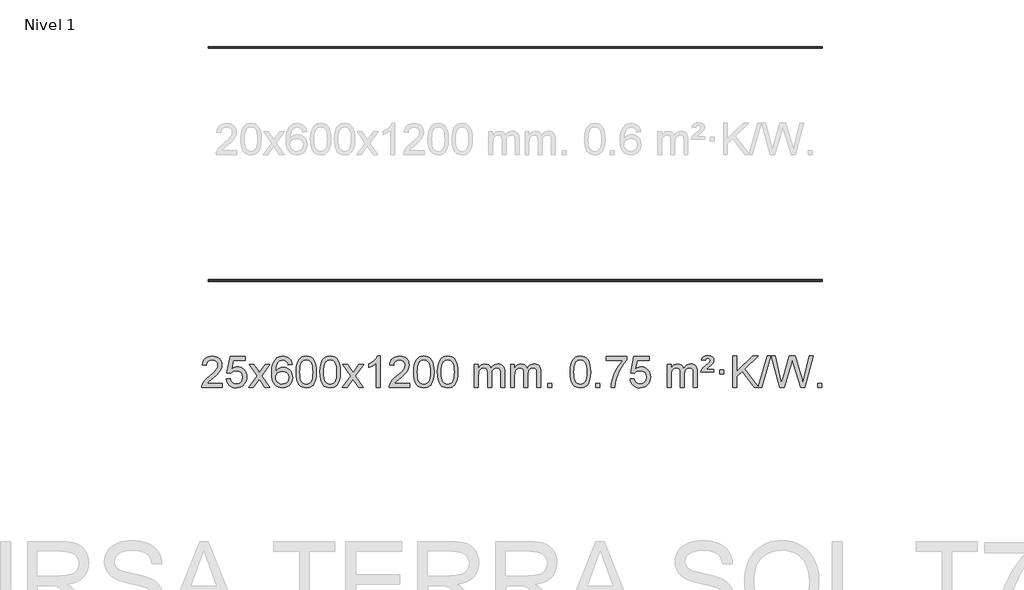
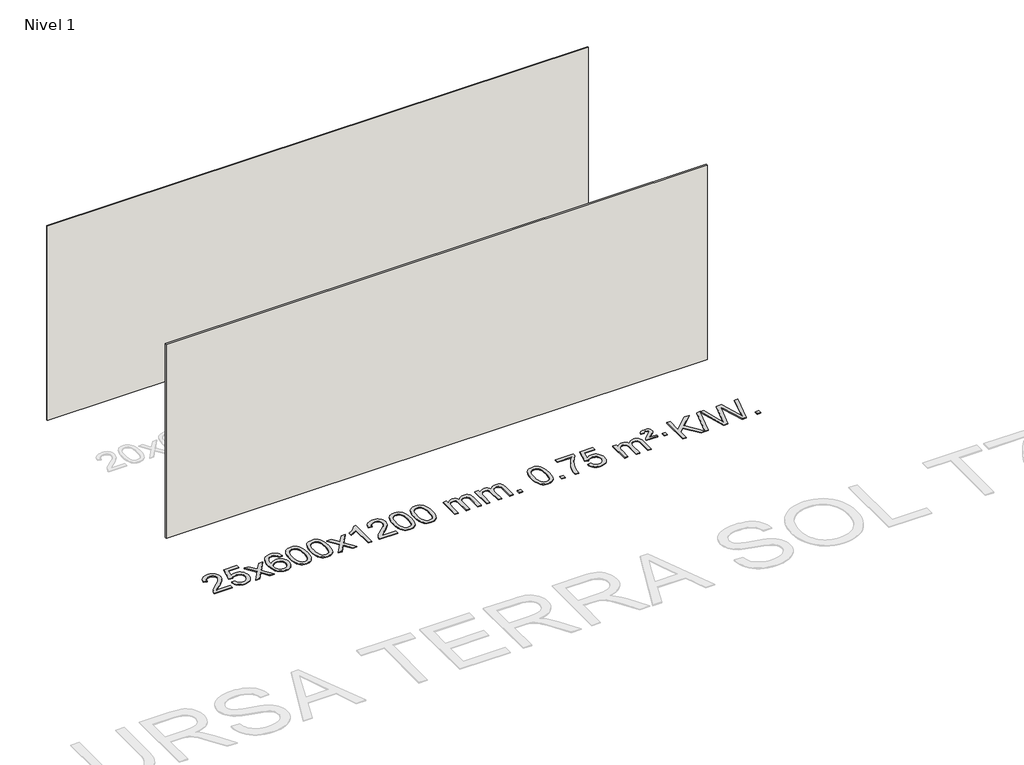
# One storey, part 1 of 3: 2 walls, 1 proxy.
"""IFC4 building model written with IfcOpenShell, lengths in millimetres."""

from ifc_helpers import new_model, si_unit, origin, origin_with_axes, place, context, project, spatial, polyline, outline, extrude, element, save

model = new_model("IFC4")

# Units and contexts
model_context = context("Model", 3, world=origin())
ifc_project = project(units=[si_unit("LENGTHUNIT", "METRE", prefix="MILLI")], contexts=[model_context])

# Site, building, storey
site = spatial("IfcSite", under=ifc_project)
building = spatial("IfcBuilding", under=site)
storey = spatial("IfcBuildingStorey", under=building, Name="Nivel 1", Elevation=0.0)

# Proxy
placement = place(None, origin())
element("IfcBuildingElementProxy", 1, Name="Texto de modelo 1", ObjectType="Texto de modelo 1", at=placement, inside=storey, context=model_context, shape_type="SweptSolid", body=[
    extrude(outline(polyline([(-52.5741406, -341.3512979), (-52.5741406, -391.579453), (-316.2719548, -391.579453), (-315.1683088, -373.8965918), (-310.8763522, -356.9494945), (-298.4909917, -329.8856424), (-280.366672, -303.6311307), (-254.1489485, -276.1503456), (-217.4833763, -245.4076736), (-163.2820957, -197.2641831), (-130.7613273, -161.7267824), (-114.5009431, -132.884834), (-109.0808151, -104.8277005), (-114.1943748, -79.6768347), (-129.535054, -58.7688747), (-153.1162899, -44.6789943), (-182.9515197, -39.9823675), (-214.282803, -44.5686297), (-238.6243283, -58.3274163), (-254.3328895, -80.1796068), (-259.7652803, -109.0460807), (-309.9934354, -102.7675613), (-305.6738876, -76.838012), (-297.8165413, -54.1826125), (-286.4213965, -34.8013627), (-271.4884532, -18.6942627), (-253.3610679, -6.0329907), (-232.3825971, 3.010775), (-208.5530409, 8.4370345), (-181.8723992, 10.2457876), (-154.9526342, 8.2346994), (-130.9943193, 2.2014346), (-109.9974544, -7.8540066), (-91.9620396, -21.9316242), (-77.476686, -38.9890861), (-67.1300049, -57.9840598), (-60.9219962, -78.9165453), (-58.85266, -101.7865427), (-61.0844774, -125.8092369), (-67.7799298, -149.4149983), (-79.6625182, -173.4254299), (-97.455744, -198.6621347), (-125.8194459, -228.7916701), (-169.4134623, -267.4805933), (-227.195461, -315.795762), (-249.8569919, -341.3512979), (-52.5741406, -341.3512979)])), origin_with_axes(), (0.0, 0.0, 1.0), 10.0),
    extrude(outline(polyline([(-2.3459855, -284.8446235), (47.8821695, -278.5661041), (57.1037449, -308.7201649), (73.1924508, -330.3148381), (96.0747109, -343.3010725), (125.6769488, -347.6298173), (144.8068125, -346.1245668), (161.6803334, -341.6088153), (176.2975113, -334.0825628), (188.6583463, -323.5458094), (198.486927, -310.519721), (205.5073417, -295.5254641), (211.1236735, -259.6324441), (205.862961, -225.8363514), (199.2870703, -211.9181493), (190.0808234, -199.9865099), (178.2135634, -190.4154467), (163.6546334, -183.5789729), (126.4617637, -178.1097939), (102.0957129, -180.2925604), (82.3649752, -186.8408599), (66.6073631, -196.8717757), (54.1606889, -209.5023908), (3.9325338, -203.2238715), (47.8821695, 3.9672682), (242.5162704, 3.9672682), (242.5162704, -46.2608869), (88.4963418, -46.2608869), (67.0120333, -156.919791), (84.7378141, -144.2155994), (102.8927905, -135.1411769), (121.4769627, -129.6965234), (140.4903304, -127.8816388), (164.9514174, -130.1318504), (187.4198103, -136.882485), (207.895509, -148.1335427), (226.3785136, -163.8850234), (241.6793389, -183.1743027), (252.6084998, -205.038756), (259.1659964, -229.4783832), (261.3518286, -256.4931844), (259.3836599, -282.5147042), (253.4791539, -306.7213394), (243.6383105, -329.1130902), (229.8611298, -349.6899565), (208.9899579, -370.7634634), (184.6361699, -385.8159684), (156.7997656, -394.8474714), (125.480745, -397.8579724), (99.5603928, -395.9235262), (76.1477695, -390.1201877), (55.2428751, -380.447957), (36.8457097, -366.9068338), (21.538753, -350.1712688), (9.9044849, -330.915712), (1.9429054, -309.1401636), (-2.3459855, -284.8446235)])), origin_with_axes(), (0.0, 0.0, 1.0), 10.0),
    extrude(outline(polyline([(286.4659061, -391.579453), (393.7893469, -243.2494325), (292.7444255, -96.4890419), (353.1751746, -96.4890419), (401.9318017, -167.122385), (424.6914345, -200.4770192), (444.4099094, -173.2047007), (499.9355652, -96.4890419), (560.3663143, -96.4890419), (454.2200959, -243.2494325), (556.4422397, -391.579453), (496.0114906, -391.579453), (434.501621, -302.4048574), (423.2199065, -286.1199477), (346.8966552, -391.579453), (286.4659061, -391.579453)])), origin_with_axes(), (0.0, 0.0, 1.0), 10.0),
    extrude(outline(polyline([(845.2541313, -96.4890419), (795.0259763, -102.7675613), (786.9325724, -77.874213), (775.9942144, -60.8780648), (753.2100561, -45.2062918), (725.6679574, -39.9823675), (702.3197135, -43.0235253), (680.3448956, -52.1469988), (661.4725493, -71.3627017), (646.0582937, -97.8134171), (635.6472332, -135.227016), (631.7844723, -187.3313693), (651.9321429, -163.8237098), (676.0774645, -147.2567573), (702.8715365, -137.434308), (730.9654582, -134.1601582), (755.0985171, -136.398107), (777.3676405, -143.1119534), (797.7728285, -154.3016975), (816.3140811, -169.9673391), (831.7222053, -189.1769106), (842.7280083, -210.9984443), (849.3314901, -235.4319401), (851.5326507, -262.4773982), (847.3878469, -298.4439945), (834.9534355, -331.786366), (815.259486, -360.0642287), (789.3360681, -380.8372987), (758.3604041, -393.602804), (723.5097164, -397.8579724), (693.5671877, -395.0375437), (666.5247954, -386.5762579), (642.3825394, -372.4741147), (621.1404199, -352.7311143), (603.822375, -326.5133908), (591.4523429, -292.9870783), (584.0303236, -252.1521768), (581.5563172, -204.0086864), (584.3031694, -150.0342663), (592.5437261, -103.9693092), (606.2779873, -65.8138149), (625.5059529, -35.5677835), (646.3464679, -15.5243462), (670.5101836, -1.2076052), (697.9971, 7.3824394), (728.8072171, 10.2457876), (751.9408633, 8.4738227), (772.8794802, 3.1579278), (791.6230678, -5.7018969), (808.1716262, -18.1056515), (822.0775656, -33.6364031), (832.8932963, -51.8772186), (840.6188182, -72.8280983), (845.2541313, -96.4890419)]), holes=[polyline([(631.7844723, -261.6925832), (634.69074, -283.9494439), (643.4095433, -305.2007605), (656.9476007, -323.472233), (674.3116309, -336.7895612), (695.2686419, -344.9197533), (719.5856418, -347.6298173), (752.7318096, -342.0134855), (766.646946, -334.9930708), (778.7901175, -325.1644901), (788.640158, -312.9262824), (795.6759011, -298.6769865), (801.3044957, -264.1451299), (795.7494775, -230.9989621), (788.8057049, -217.3781312), (779.0844231, -205.725469), (766.9044634, -196.3904634), (752.5846568, -189.7226022), (717.5255026, -184.3883133), (684.4283858, -189.7226022), (656.751397, -205.725469), (645.8283674, -217.2248471), (638.0262035, -230.3858254), (633.3449051, -245.2084042), (631.7844723, -261.6925832)])]), origin_with_axes(), (0.0, 0.0, 1.0), 10.0),
    extrude(outline(polyline([(895.4822864, -193.9041943), (899.1733691, -129.5861588), (910.2466172, -78.2911459), (928.591666, -39.2343407), (940.449729, -24.0009605), (954.098151, -11.6309284), (969.5829173, -2.0598651), (986.9500131, 4.7766086), (1027.3311935, 10.2457876), (1058.282332, 7.008426), (1085.996109, -2.7036586), (1109.1726747, -18.5103217), (1126.5121794, -40.0314184), (1139.6087784, -67.0830078), (1150.0566271, -99.4811488), (1156.8992322, -140.6226186), (1159.1801006, -193.9041943), (1155.5258061, -257.8543477), (1144.5629226, -309.0267333), (1126.3282384, -348.1203266), (1114.4977666, -363.3996922), (1100.8585416, -375.8341036), (1085.3553812, -385.4695462), (1067.933103, -392.3520052), (1027.3311935, -397.8579724), (999.6664674, -395.4667394), (975.1410011, -388.2930405), (953.7547945, -376.3368757), (935.5078475, -359.5982449), (917.9966645, -329.3399508), (905.4886767, -291.6381776), (897.983884, -246.4929255), (895.4822864, -193.9041943)]), holes=[polyline([(945.7104415, -193.8060924), (947.1819695, -237.4706195), (951.5965534, -272.8148822), (958.9541933, -299.8388804), (969.2548892, -318.5426142), (981.7138261, -331.2682656), (995.5461891, -340.3580165), (1010.7519782, -345.8118671), (1027.3311935, -347.6298173), (1043.9104087, -345.8057357), (1059.1161979, -340.3334911), (1072.9485609, -331.2130833), (1085.4074978, -318.4445124), (1095.7081937, -299.7101217), (1103.0658336, -272.6922549), (1107.4804175, -237.3909118), (1108.9519455, -193.8060924), (1107.5294684, -151.2973278), (1103.2620373, -116.5753989), (1096.1496521, -89.6403055), (1086.1923127, -70.4920476), (1073.9418423, -57.1440625), (1059.9500637, -47.6097875), (1044.2169771, -41.8892225), (1026.7425823, -39.9823675), (1010.2492062, -41.6623619), (995.3009344, -46.7023452), (981.8977671, -55.1023175), (970.0397041, -66.8622786), (959.3956517, -87.708925), (951.7927571, -115.8151094), (947.2310204, -151.1808319), (945.7104415, -193.8060924)])]), origin_with_axes(), (0.0, 0.0, 1.0), 10.0),
    extrude(outline(polyline([(1203.1297362, -193.9041943), (1206.8208189, -129.5861588), (1217.894067, -78.2911459), (1236.2391158, -39.2343407), (1248.0971788, -24.0009605), (1261.7456008, -11.6309284), (1277.2303671, -2.0598651), (1294.597463, 4.7766086), (1334.9786433, 10.2457876), (1365.9297818, 7.008426), (1393.6435588, -2.7036586), (1416.8201245, -18.5103217), (1434.1596292, -40.0314184), (1447.2562282, -67.0830078), (1457.7040769, -99.4811488), (1464.546682, -140.6226186), (1466.8275504, -193.9041943), (1463.1732559, -257.8543477), (1452.2103725, -309.0267333), (1433.9756882, -348.1203266), (1422.1452164, -363.3996922), (1408.5059914, -375.8341036), (1393.002831, -385.4695462), (1375.5805529, -392.3520052), (1334.9786433, -397.8579724), (1307.3139173, -395.4667394), (1282.7884509, -388.2930405), (1261.4022443, -376.3368757), (1243.1552973, -359.5982449), (1225.6441144, -329.3399508), (1213.1361265, -291.6381776), (1205.6313338, -246.4929255), (1203.1297362, -193.9041943)]), holes=[polyline([(1253.3578913, -193.8060924), (1254.8294193, -237.4706195), (1259.2440032, -272.8148822), (1266.6016432, -299.8388804), (1276.902339, -318.5426142), (1289.3612759, -331.2682656), (1303.1936389, -340.3580165), (1318.3994281, -345.8118671), (1334.9786433, -347.6298173), (1351.5578586, -345.8057357), (1366.7636477, -340.3334911), (1380.5960107, -331.2130833), (1393.0549476, -318.4445124), (1403.3556435, -299.7101217), (1410.7132834, -272.6922549), (1415.1278673, -237.3909118), (1416.5993953, -193.8060924), (1415.1769183, -151.2973278), (1410.9094871, -116.5753989), (1403.7971019, -89.6403055), (1393.8397625, -70.4920476), (1381.5892921, -57.1440625), (1367.5975136, -47.6097875), (1351.8644269, -41.8892225), (1334.3900321, -39.9823675), (1317.896656, -41.6623619), (1302.9483843, -46.7023452), (1289.5452169, -55.1023175), (1277.6871539, -66.8622786), (1267.0431015, -87.708925), (1259.440207, -115.8151094), (1254.8784702, -151.1808319), (1253.3578913, -193.8060924)])]), origin_with_axes(), (0.0, 0.0, 1.0), 10.0),
    extrude(outline(polyline([(1491.9416279, -391.579453), (1599.2650687, -243.2494325), (1498.2201473, -96.4890419), (1558.6508964, -96.4890419), (1607.4075235, -167.122385), (1630.1671563, -200.4770192), (1649.8856312, -173.2047007), (1705.411287, -96.4890419), (1765.8420361, -96.4890419), (1659.6958177, -243.2494325), (1761.9179615, -391.579453), (1701.4872124, -391.579453), (1639.9773428, -302.4048574), (1628.6956283, -286.1199477), (1552.372377, -391.579453), (1491.9416279, -391.579453)])), origin_with_axes(), (0.0, 0.0, 1.0), 10.0),
    extrude(outline(polyline([(1981.6661399, -391.579453), (1931.4379848, -391.579453), (1931.4379848, -78.4382987), (1910.4687111, -95.3976587), (1883.8585801, -112.3324932), (1830.9816747, -137.6918254), (1830.9816747, -90.2105225), (1870.4308873, -68.7507395), (1904.6071247, -43.219729), (1931.5483494, -16.0700378), (1949.2925243, 10.2457876), (1981.6661399, 10.2457876), (1981.6661399, -391.579453)])), origin_with_axes(), (0.0, 0.0, 1.0), 10.0),
    extrude(outline(polyline([(2358.377303, -341.3512979), (2358.377303, -391.579453), (2094.6794888, -391.579453), (2095.7831348, -373.8965918), (2100.0750914, -356.9494945), (2112.4604519, -329.8856424), (2130.5847716, -303.6311307), (2156.8024951, -276.1503456), (2193.4680673, -245.4076736), (2247.6693479, -197.2641831), (2280.1901163, -161.7267824), (2296.4505004, -132.884834), (2301.8706285, -104.8277005), (2296.7570688, -79.6768347), (2281.4163896, -58.7688747), (2257.8351537, -44.6789943), (2227.9999239, -39.9823675), (2196.6686406, -44.5686297), (2172.3271153, -58.3274163), (2156.6185541, -80.1796068), (2151.1861633, -109.0460807), (2100.9580082, -102.7675613), (2105.277556, -76.838012), (2113.1349023, -54.1826125), (2124.5300471, -34.8013627), (2139.4629904, -18.6942627), (2157.5903757, -6.0329907), (2178.5688465, 3.010775), (2202.3984027, 8.4370345), (2229.0790444, 10.2457876), (2255.9988094, 8.2346994), (2279.9571243, 2.2014346), (2300.9539892, -7.8540066), (2318.989404, -21.9316242), (2333.4747576, -38.9890861), (2343.8214387, -57.9840598), (2350.0294474, -78.9165453), (2352.0987836, -101.7865427), (2349.8669661, -125.8092369), (2343.1715138, -149.4149983), (2331.2889254, -173.4254299), (2313.4956996, -198.6621347), (2285.1319977, -228.7916701), (2241.5379813, -267.4805933), (2183.7559826, -315.795762), (2161.0944517, -341.3512979), (2358.377303, -341.3512979)])), origin_with_axes(), (0.0, 0.0, 1.0), 10.0),
    extrude(outline(polyline([(2408.605458, -193.9041943), (2412.2965407, -129.5861588), (2423.3697888, -78.2911459), (2441.7148376, -39.2343407), (2453.5729006, -24.0009605), (2467.2213226, -11.6309284), (2482.7060889, -2.0598651), (2500.0731848, 4.7766086), (2540.4543651, 10.2457876), (2571.4055036, 7.008426), (2599.1192806, -2.7036586), (2622.2958463, -18.5103217), (2639.635351, -40.0314184), (2652.73195, -67.0830078), (2663.1797987, -99.4811488), (2670.0224038, -140.6226186), (2672.3032722, -193.9041943), (2668.6489777, -257.8543477), (2657.6860942, -309.0267333), (2639.45141, -348.1203266), (2627.6209382, -363.3996922), (2613.9817132, -375.8341036), (2598.4785528, -385.4695462), (2581.0562747, -392.3520052), (2540.4543651, -397.8579724), (2512.7896391, -395.4667394), (2488.2641727, -388.2930405), (2466.8779661, -376.3368757), (2448.6310191, -359.5982449), (2431.1198361, -329.3399508), (2418.6118483, -291.6381776), (2411.1070556, -246.4929255), (2408.605458, -193.9041943)]), holes=[polyline([(2458.8336131, -193.8060924), (2460.3051411, -237.4706195), (2464.719725, -272.8148822), (2472.0773649, -299.8388804), (2482.3780608, -318.5426142), (2494.8369977, -331.2682656), (2508.6693607, -340.3580165), (2523.8751499, -345.8118671), (2540.4543651, -347.6298173), (2557.0335804, -345.8057357), (2572.2393695, -340.3334911), (2586.0717325, -331.2130833), (2598.5306694, -318.4445124), (2608.8313653, -299.7101217), (2616.1890052, -272.6922549), (2620.6035891, -237.3909118), (2622.0751171, -193.8060924), (2620.6526401, -151.2973278), (2616.3852089, -116.5753989), (2609.2728237, -89.6403055), (2599.3154843, -70.4920476), (2587.0650139, -57.1440625), (2573.0732354, -47.6097875), (2557.3401487, -41.8892225), (2539.8657539, -39.9823675), (2523.3723778, -41.6623619), (2508.4241061, -46.7023452), (2495.0209387, -55.1023175), (2483.1628757, -66.8622786), (2472.5188233, -87.708925), (2464.9159288, -115.8151094), (2460.354192, -151.1808319), (2458.8336131, -193.8060924)])]), origin_with_axes(), (0.0, 0.0, 1.0), 10.0),
    extrude(outline(polyline([(2716.2529079, -193.9041943), (2719.9439906, -129.5861588), (2731.0172386, -78.2911459), (2749.3622874, -39.2343407), (2761.2203504, -24.0009605), (2774.8687724, -11.6309284), (2790.3535388, -2.0598651), (2807.7206346, 4.7766086), (2848.1018149, 10.2457876), (2879.0529535, 7.008426), (2906.7667304, -2.7036586), (2929.9432961, -18.5103217), (2947.2828008, -40.0314184), (2960.3793999, -67.0830078), (2970.8272485, -99.4811488), (2977.6698537, -140.6226186), (2979.950722, -193.9041943), (2976.2964275, -257.8543477), (2965.3335441, -309.0267333), (2947.0988599, -348.1203266), (2935.268388, -363.3996922), (2921.6291631, -375.8341036), (2906.1260026, -385.4695462), (2888.7037245, -392.3520052), (2848.1018149, -397.8579724), (2820.4370889, -395.4667394), (2795.9116226, -388.2930405), (2774.5254159, -376.3368757), (2756.278469, -359.5982449), (2738.767286, -329.3399508), (2726.2592981, -291.6381776), (2718.7545054, -246.4929255), (2716.2529079, -193.9041943)]), holes=[polyline([(2766.481063, -193.8060924), (2767.9525909, -237.4706195), (2772.3671749, -272.8148822), (2779.7248148, -299.8388804), (2790.0255106, -318.5426142), (2802.4844475, -331.2682656), (2816.3168106, -340.3580165), (2831.5225997, -345.8118671), (2848.1018149, -347.6298173), (2864.6810302, -345.8057357), (2879.8868193, -340.3334911), (2893.7191824, -331.2130833), (2906.1781193, -318.4445124), (2916.4788151, -299.7101217), (2923.836455, -272.6922549), (2928.251039, -237.3909118), (2929.7225669, -193.8060924), (2928.3000899, -151.2973278), (2924.0326588, -116.5753989), (2916.9202735, -89.6403055), (2906.9629342, -70.4920476), (2894.7124637, -57.1440625), (2880.7206852, -47.6097875), (2864.9875985, -41.8892225), (2847.5132038, -39.9823675), (2831.0198276, -41.6623619), (2816.0715559, -46.7023452), (2802.6683885, -55.1023175), (2790.8103256, -66.8622786), (2780.1662732, -87.708925), (2772.5633786, -115.8151094), (2768.0016419, -151.1808319), (2766.481063, -193.8060924)])]), origin_with_axes(), (0.0, 0.0, 1.0), 10.0),
    extrude(outline(polyline([(3193.4203811, -391.579453), (3193.4203811, -96.4890419), (3243.6485362, -96.4890419), (3243.6485362, -145.0494653), (3258.7562234, -122.7435537), (3278.1803928, -105.2691589), (3301.2588566, -93.9751816), (3327.3294273, -90.2105225), (3355.2639335, -94.048758), (3377.6556843, -105.5634645), (3394.3820523, -123.9943524), (3405.3204103, -148.5811324), (3423.6286709, -123.0439906), (3444.5121055, -104.803175), (3467.9707141, -93.8586857), (3494.0044966, -90.2105225), (3514.1123133, -91.7280358), (3531.7614521, -96.2805755), (3546.9519128, -103.8681416), (3559.6836955, -114.4907342), (3569.7483337, -128.2709806), (3576.9373611, -145.3315082), (3581.2507775, -165.6723168), (3582.6885829, -189.2934066), (3582.6885829, -391.579453), (3532.4604278, -391.579453), (3532.4604278, -210.875817), (3531.2954682, -185.8230531), (3527.8005892, -168.9372695), (3521.2522897, -157.3735121), (3510.9270684, -148.2868268), (3497.6465284, -142.4007149), (3482.2322728, -140.4386776), (3455.0212679, -145.4663982), (3432.8379835, -160.54956), (3424.2326105, -172.1194488), (3418.0859155, -186.7182326), (3413.1685595, -225.0024856), (3413.1685595, -391.579453), (3362.9404045, -391.579453), (3362.9404045, -205.2840106), (3360.0341367, -176.8835206), (3351.3153334, -156.6254854), (3335.9746542, -144.4853796), (3313.2027587, -140.4386776), (3293.8521658, -143.1364789), (3276.0221517, -151.2298828), (3261.3068719, -164.5226856), (3251.3004817, -182.8186835), (3245.5615225, -208.2025411), (3243.6485362, -242.7589232), (3243.6485362, -391.579453), (3193.4203811, -391.579453)])), origin_with_axes(), (0.0, 0.0, 1.0), 10.0),
    extrude(outline(polyline([(3658.0308155, -391.579453), (3658.0308155, -96.4890419), (3708.2589706, -96.4890419), (3708.2589706, -145.0494653), (3723.3666579, -122.7435537), (3742.7908272, -105.2691589), (3765.869291, -93.9751816), (3791.9398618, -90.2105225), (3819.8743679, -94.048758), (3842.2661187, -105.5634645), (3858.9924868, -123.9943524), (3869.9308448, -148.5811324), (3888.2391054, -123.0439906), (3909.12254, -104.803175), (3932.5811485, -93.8586857), (3958.6149311, -90.2105225), (3978.7227478, -91.7280358), (3996.3718865, -96.2805755), (4011.5623472, -103.8681416), (4024.2941299, -114.4907342), (4034.3587682, -128.2709806), (4041.5477955, -145.3315082), (4045.8612119, -165.6723168), (4047.2990174, -189.2934066), (4047.2990174, -391.579453), (3997.0708623, -391.579453), (3997.0708623, -210.875817), (3995.9059026, -185.8230531), (3992.4110237, -168.9372695), (3985.8627242, -157.3735121), (3975.5375028, -148.2868268), (3962.2569628, -142.4007149), (3946.8427072, -140.4386776), (3919.6317023, -145.4663982), (3897.448418, -160.54956), (3888.843045, -172.1194488), (3882.69635, -186.7182326), (3877.778994, -225.0024856), (3877.778994, -391.579453), (3827.5508389, -391.579453), (3827.5508389, -205.2840106), (3824.6445711, -176.8835206), (3815.9257679, -156.6254854), (3800.5850887, -144.4853796), (3777.8131932, -140.4386776), (3758.4626002, -143.1364789), (3740.6325862, -151.2298828), (3725.9173064, -164.5226856), (3715.9109161, -182.8186835), (3710.171957, -208.2025411), (3708.2589706, -242.7589232), (3708.2589706, -391.579453), (3658.0308155, -391.579453)])), origin_with_axes(), (0.0, 0.0, 1.0), 10.0),
    extrude(outline(polyline([(4135.1982887, -391.579453), (4135.1982887, -341.3512979), (4185.4264438, -341.3512979), (4185.4264438, -391.579453), (4135.1982887, -391.579453)])), origin_with_axes(), (0.0, 0.0, 1.0), 10.0),
    extrude(outline(polyline([(4424.0101804, -193.9041943), (4427.7012631, -129.5861588), (4438.7745112, -78.2911459), (4457.11956, -39.2343407), (4468.977623, -24.0009605), (4482.626045, -11.6309284), (4498.1108113, -2.0598651), (4515.4779072, 4.7766086), (4555.8590875, 10.2457876), (4586.810226, 7.008426), (4614.524003, -2.7036586), (4637.7005687, -18.5103217), (4655.0400734, -40.0314184), (4668.1366724, -67.0830078), (4678.5845211, -99.4811488), (4685.4271262, -140.6226186), (4687.7079946, -193.9041943), (4684.0537001, -257.8543477), (4673.0908166, -309.0267333), (4654.8561324, -348.1203266), (4643.0256606, -363.3996922), (4629.3864356, -375.8341036), (4613.8832752, -385.4695462), (4596.460997, -392.3520052), (4555.8590875, -397.8579724), (4528.1943615, -395.4667394), (4503.6688951, -388.2930405), (4482.2826885, -376.3368757), (4464.0357415, -359.5982449), (4446.5245585, -329.3399508), (4434.0165707, -291.6381776), (4426.511778, -246.4929255), (4424.0101804, -193.9041943)]), holes=[polyline([(4474.2383355, -193.8060924), (4475.7098635, -237.4706195), (4480.1244474, -272.8148822), (4487.4820873, -299.8388804), (4497.7827832, -318.5426142), (4510.2417201, -331.2682656), (4524.0740831, -340.3580165), (4539.2798722, -345.8118671), (4555.8590875, -347.6298173), (4572.4383027, -345.8057357), (4587.6440919, -340.3334911), (4601.4764549, -331.2130833), (4613.9353918, -318.4445124), (4624.2360877, -299.7101217), (4631.5937276, -272.6922549), (4636.0083115, -237.3909118), (4637.4798395, -193.8060924), (4636.0573624, -151.2973278), (4631.7899313, -116.5753989), (4624.6775461, -89.6403055), (4614.7202067, -70.4920476), (4602.4697363, -57.1440625), (4588.4779577, -47.6097875), (4572.7448711, -41.8892225), (4555.2704763, -39.9823675), (4538.7771002, -41.6623619), (4523.8288284, -46.7023452), (4510.4256611, -55.1023175), (4498.5675981, -66.8622786), (4487.9235457, -87.708925), (4480.3206511, -115.8151094), (4475.7589144, -151.1808319), (4474.2383355, -193.8060924)])]), origin_with_axes(), (0.0, 0.0, 1.0), 10.0),
    extrude(outline(polyline([(4756.7717078, -391.579453), (4756.7717078, -341.3512979), (4806.9998629, -341.3512979), (4806.9998629, -391.579453), (4756.7717078, -391.579453)])), origin_with_axes(), (0.0, 0.0, 1.0), 10.0),
    extrude(outline(polyline([(4888.6206149, -46.2608869), (4888.6206149, 3.9672682), (5152.318429, 3.9672682), (5152.318429, -36.646904), (5114.7331518, -84.214046), (5077.5157567, -144.7061088), (5044.6884199, -212.6048623), (5020.2733182, -282.3920768), (5008.3048906, -334.6067947), (5001.6339638, -391.579453), (4951.4058087, -391.579453), (4956.8381995, -339.8061935), (4971.3695383, -278.2717985), (4994.6074177, -213.0463207), (5026.1594301, -150.1998132), (5062.9966806, -93.3865704), (5102.0902739, -46.2608869), (4888.6206149, -46.2608869)])), origin_with_axes(), (0.0, 0.0, 1.0), 10.0),
    extrude(outline(polyline([(5196.2680647, -284.8446235), (5246.4962198, -278.5661041), (5255.7177951, -308.7201649), (5271.806501, -330.3148381), (5294.6887611, -343.3010725), (5324.290999, -347.6298173), (5343.4208628, -346.1245668), (5360.2943836, -341.6088153), (5374.9115616, -334.0825628), (5387.2723966, -323.5458094), (5397.1009772, -310.519721), (5404.121392, -295.5254641), (5409.7377238, -259.6324441), (5404.4770112, -225.8363514), (5397.9011206, -211.9181493), (5388.6948736, -199.9865099), (5376.8276136, -190.4154467), (5362.2686837, -183.5789729), (5325.0758139, -178.1097939), (5300.7097631, -180.2925604), (5280.9790255, -186.8408599), (5265.2214133, -196.8717757), (5252.7747392, -209.5023908), (5202.5465841, -203.2238715), (5246.4962198, 3.9672682), (5441.1303207, 3.9672682), (5441.1303207, -46.2608869), (5287.110392, -46.2608869), (5265.6260835, -156.919791), (5283.3518643, -144.2155994), (5301.5068408, -135.1411769), (5320.0910129, -129.6965234), (5339.1043807, -127.8816388), (5363.5654677, -130.1318504), (5386.0338605, -136.882485), (5406.5095593, -148.1335427), (5424.9925638, -163.8850234), (5440.2933891, -183.1743027), (5451.2225501, -205.038756), (5457.7800467, -229.4783832), (5459.9658788, -256.4931844), (5457.9977102, -282.5147042), (5452.0932041, -306.7213394), (5442.2523608, -329.1130902), (5428.4751801, -349.6899565), (5407.6040082, -370.7634634), (5383.2502201, -385.8159684), (5355.4138158, -394.8474714), (5324.0947953, -397.8579724), (5298.174443, -395.9235262), (5274.7618197, -390.1201877), (5253.8569254, -380.447957), (5235.4597599, -366.9068338), (5220.1528032, -350.1712688), (5208.5185351, -330.915712), (5200.5569556, -309.1401636), (5196.2680647, -284.8446235)])), origin_with_axes(), (0.0, 0.0, 1.0), 10.0),
    extrude(outline(polyline([(5673.4355379, -391.579453), (5673.4355379, -96.4890419), (5723.663693, -96.4890419), (5723.663693, -145.0494653), (5738.7713803, -122.7435537), (5758.1955496, -105.2691589), (5781.2740134, -93.9751816), (5807.3445842, -90.2105225), (5835.2790903, -94.048758), (5857.6708411, -105.5634645), (5874.3972091, -123.9943524), (5885.3355671, -148.5811324), (5903.6438278, -123.0439906), (5924.5272623, -104.803175), (5947.9858709, -93.8586857), (5974.0196534, -90.2105225), (5994.1274702, -91.7280358), (6011.7766089, -96.2805755), (6026.9670696, -103.8681416), (6039.6988523, -114.4907342), (6049.7634906, -128.2709806), (6056.9525179, -145.3315082), (6061.2659343, -165.6723168), (6062.7037397, -189.2934066), (6062.7037397, -391.579453), (6012.4755847, -391.579453), (6012.4755847, -210.875817), (6011.310625, -185.8230531), (6007.8157461, -168.9372695), (6001.2674465, -157.3735121), (5990.9422252, -148.2868268), (5977.6616852, -142.4007149), (5962.2474296, -140.4386776), (5935.0364247, -145.4663982), (5912.8531404, -160.54956), (5904.2477674, -172.1194488), (5898.1010724, -186.7182326), (5893.1837164, -225.0024856), (5893.1837164, -391.579453), (5842.9555613, -391.579453), (5842.9555613, -205.2840106), (5840.0492935, -176.8835206), (5831.3304902, -156.6254854), (5815.989811, -144.4853796), (5793.2179155, -140.4386776), (5773.8673226, -143.1364789), (5756.0373086, -151.2298828), (5741.3220287, -164.5226856), (5731.3156385, -182.8186835), (5725.5766794, -208.2025411), (5723.663693, -242.7589232), (5723.663693, -391.579453), (5673.4355379, -391.579453)])), origin_with_axes(), (0.0, 0.0, 1.0), 10.0),
    extrude(outline(polyline([(6106.6533754, -190.6668327), (6110.4793482, -174.8479069), (6118.8180067, -158.9799302), (6140.3268407, -133.8413272), (6172.2835234, -106.1030247), (6216.4293628, -68.726214), (6223.5662735, -57.1992448), (6225.9452437, -45.3779701), (6224.0567828, -33.2869152), (6218.3914001, -23.5012541), (6209.022672, -17.026531), (6196.0241748, -14.8682899), (6183.5897634, -16.4869707), (6174.73607, -21.343013), (6168.3103978, -30.8098431), (6163.1600499, -46.2608869), (6112.9318948, -39.9823675), (6123.7721509, -14.7701881), (6140.4004171, 2.7900458), (6164.165594, 13.0907417), (6196.4165822, 16.524307), (6232.1992376, 12.3917659), (6256.9454332, -0.0058573), (6271.3664074, -18.3386434), (6276.1733988, -40.2766731), (6272.0776459, -63.1834586), (6259.7903873, -84.8149199), (6239.262572, -104.6314968), (6202.7932035, -132.6886303), (6177.1886166, -159.2742358), (6276.1733988, -159.2742358), (6276.1733988, -190.6668327), (6106.6533754, -190.6668327)])), origin_with_axes(), (0.0, 0.0, 1.0), 10.0),
    extrude(outline(polyline([(6351.5156314, -215.7809102), (6351.5156314, -165.5527552), (6401.7437865, -165.5527552), (6401.7437865, -215.7809102), (6351.5156314, -215.7809102)])), origin_with_axes(), (0.0, 0.0, 1.0), 10.0),
    extrude(outline(polyline([(6792.3854144, -391.579453), (6638.954097, -188.9009991), (6571.2638099, -253.4520265), (6571.2638099, -391.579453), (6521.0356548, -391.579453), (6521.0356548, 10.2457876), (6571.2638099, 10.2457876), (6571.2638099, -186.4484525), (6777.2777272, 10.2457876), (6847.5186628, 10.2457876), (6674.5650741, -154.9577537), (6849.218684, -385.5349332), (6960.5320117, 10.2457876), (7005.8550735, 10.2457876), (6892.8417246, -391.579453), (6853.7971822, -391.579453), (6847.5186628, -391.579453), (6792.3854144, -391.579453)])), origin_with_axes(), (0.0, 0.0, 1.0), 10.0),
    extrude(outline(polyline([(7120.3399504, -391.579453), (7010.7601668, 10.2457876), (7062.5579517, 10.2457876), (7126.1279605, -253.844434), (7145.7483335, -335.3670841), (7166.7421327, -263.2622131), (7246.4008474, 10.2457876), (7321.056367, 10.2457876), (7378.9364675, -188.0180823), (7403.731714, -261.5944814), (7422.0031864, -335.3670841), (7441.0349483, -256.1988788), (7505.1935683, 10.2457876), (7556.9913532, 10.2457876), (7447.3134677, -391.579453), (7393.6517474, -391.579453), (7297.3157155, -81.5775584), (7283.87576, -38.3146358), (7268.7680727, -90.4067263), (7180.9669032, -391.579453), (7120.3399504, -391.579453)])), origin_with_axes(), (0.0, 0.0, 1.0), 10.0),
    extrude(outline(polyline([(7613.4980277, -391.579453), (7613.4980277, -341.3512979), (7663.7261827, -341.3512979), (7663.7261827, -391.579453), (7613.4980277, -391.579453)])), origin_with_axes(), (0.0, 0.0, 1.0), 10.0),
])

# Walls
element("IfcWall", 2, at=placement, inside=storey, context=model_context, shape_type="SweptSolid", body=[
    extrude(outline(polyline([(7668.7582768, 975.3831431), (-231.2417232, 975.3831431), (-231.2417232, 1000.3831431), (7668.7582768, 1000.3831431), (7668.7582768, 975.3831431)])), origin_with_axes(), (0.0, 0.0, 1.0), 3000.0),
])
element("IfcWall", 3, at=placement, inside=storey, context=model_context, shape_type="SweptSolid", body=[
    extrude(outline(polyline([(7668.7582768, 3980.3831431), (-231.2417232, 3980.3831431), (-231.2417232, 4000.3831431), (7668.7582768, 4000.3831431), (7668.7582768, 3980.3831431)])), origin_with_axes(), (0.0, 0.0, 1.0), 3000.0),
])

save(model, "model.ifc")
